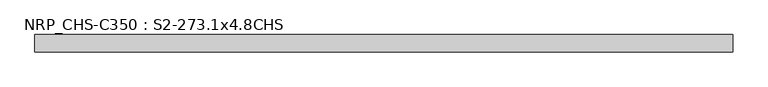
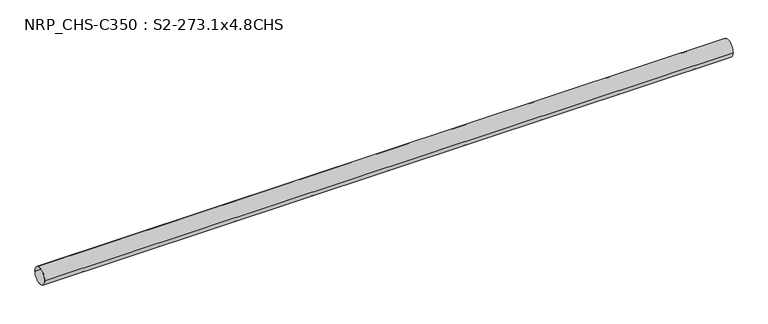
"""IFC4 building model written with IfcOpenShell, lengths in millimetres: beam geometry, NRP_CHS-C350 : S2-273.1x4.8CHS."""

from ifc_helpers import new_model, si_unit, point, frame, origin, origin_2d, place, context, project, spatial, circle_curve, trimmed, segment, composite_curve, outline, extrude, source, transform, mapped, element, save


def nrp_chs_c350_s2_273_1x4_8chs_b3705edd(model_context):
    return source(origin(), model_context, "Body", "SweptSolid", [
        extrude(outline(composite_curve([segment(trimmed(circle_curve(origin_2d(), 136.55), [point((-136.55, 0.0))], [point((136.55, 0.0))], False, "CARTESIAN"), True, "CONTINUOUS"), segment(trimmed(circle_curve(origin_2d(), 136.55), [point((136.55, 0.0))], [point((-136.55, 0.0))], False, "CARTESIAN"), True, "CONTINUOUS")], self_intersect=False), holes=[composite_curve([segment(trimmed(circle_curve(origin_2d(), 131.75), [point((131.75, 0.0))], [point((-131.75, 0.0))], True, "CARTESIAN"), True, "CONTINUOUS"), segment(trimmed(circle_curve(origin_2d(), 131.75), [point((-131.75, 0.0))], [point((131.75, 0.0))], True, "CARTESIAN"), True, "CONTINUOUS")], self_intersect=False)]), frame((-5542.3, 0.0, 0.0), z_axis=(1.0, 0.0, 0.0), x_axis=(0.0, 1.0, 0.0)), (0.0, 0.0, 1.0), 11075.1),
    ])


if __name__ == "__main__":
    model = new_model("IFC4")
    model_context = context("Model", 3, world=origin())
    ifc_project = project(units=[si_unit("LENGTHUNIT", "METRE", prefix="MILLI")], contexts=[model_context])
    site = spatial("IfcSite", under=ifc_project)
    building = spatial("IfcBuilding", under=site)
    placement = place(None, origin())
    nrp_chs_c350_s2_273_1x4_8chs_shape = nrp_chs_c350_s2_273_1x4_8chs_b3705edd(model_context)
    element("IfcBeam", 1, ObjectType="NRP_CHS-C350 : S2-273.1x4.8CHS", at=placement, inside=building, context=model_context, shape_type="MappedRepresentation", body=[
        mapped(nrp_chs_c350_s2_273_1x4_8chs_shape, transform((0.0, 0.0, 0.0), x_axis=(1.0, 0.0, 0.0), y_axis=(0.0, 1.0, 0.0), z_axis=(0.0, 0.0, 1.0))),
    ])
    save(model, "model.ifc")
